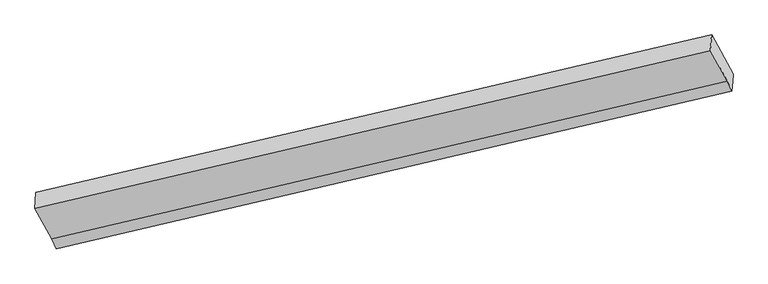
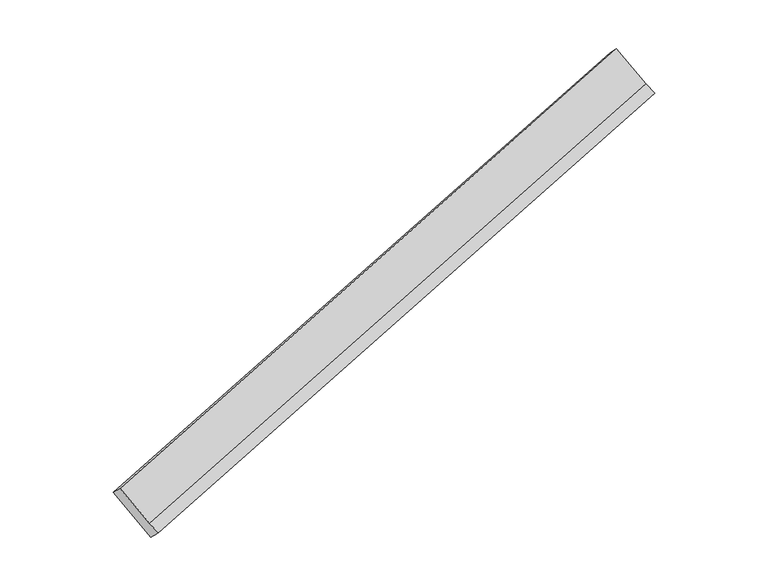
"""IFC4 building model written with IfcOpenShell, lengths in millimetres: proxy geometry."""

from ifc_helpers import new_model, si_unit, origin, place, context, project, spatial, faceted_brep, source, transform, mapped, element, save


def generic_models_b94f56eb(model_context):
    return source(origin(), model_context, "Body", "Brep", [
        faceted_brep([(-5807.8081565, -2287.3425732, 718.8920213), (-6001.7468036, -1932.4839356, 1074.3149237), (75.473255, -511.1890058, 3009.2177235), (269.4119021, -866.0476433, 2653.794821), (-6011.1407262, -2072.8423844, 1209.3246907), (66.0793324, -651.5474545, 3144.2274905), (-5859.5014548, -2350.3038705, 931.4220098), (217.7186038, -929.0089407, 2866.3248096), (-5817.949323, -2438.8658985, 864.6412016), (259.2707357, -1017.5709687, 2799.5440013), (-5812.3983687, -2355.9268152, 784.8627029), (264.8216899, -934.6318853, 2719.7655026)], [[[0, 1, 2, 3]], [[1, 4, 5, 2]], [[4, 6, 7, 5]], [[6, 8, 9, 7]], [[8, 10, 11, 9]], [[10, 0, 3, 11]], [[9, 11, 3, 2, 5, 7]], [[0, 10, 8, 6, 4, 1]]]),
    ])


if __name__ == "__main__":
    model = new_model("IFC4")
    model_context = context("Model", 3, world=origin())
    ifc_project = project(units=[si_unit("LENGTHUNIT", "METRE", prefix="MILLI")], contexts=[model_context])
    site = spatial("IfcSite", under=ifc_project)
    building = spatial("IfcBuilding", under=site)
    placement = place(None, origin())
    generic_models_shape = generic_models_b94f56eb(model_context)
    element("IfcBuildingElementProxy", 1, Name="Generic Models", at=placement, inside=building, context=model_context, shape_type="MappedRepresentation", body=[
        mapped(generic_models_shape, transform((0.0, 0.0, 0.0), x_axis=(1.0, 0.0, 0.0), y_axis=(0.0, 1.0, 0.0), z_axis=(0.0, 0.0, 1.0))),
    ])
    save(model, "model.ifc")
